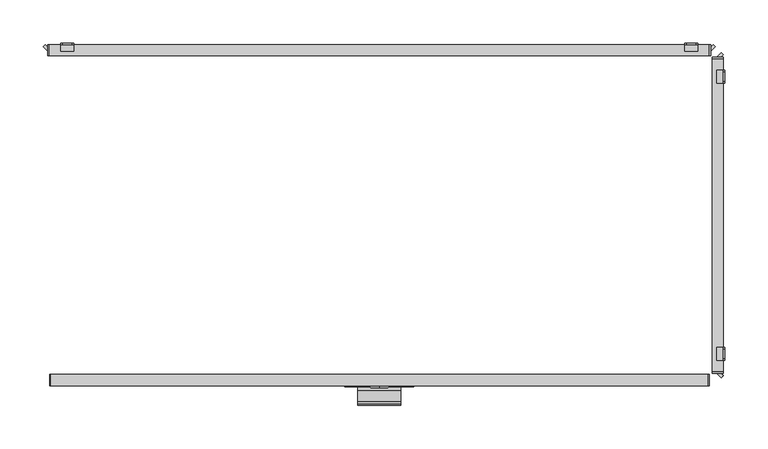
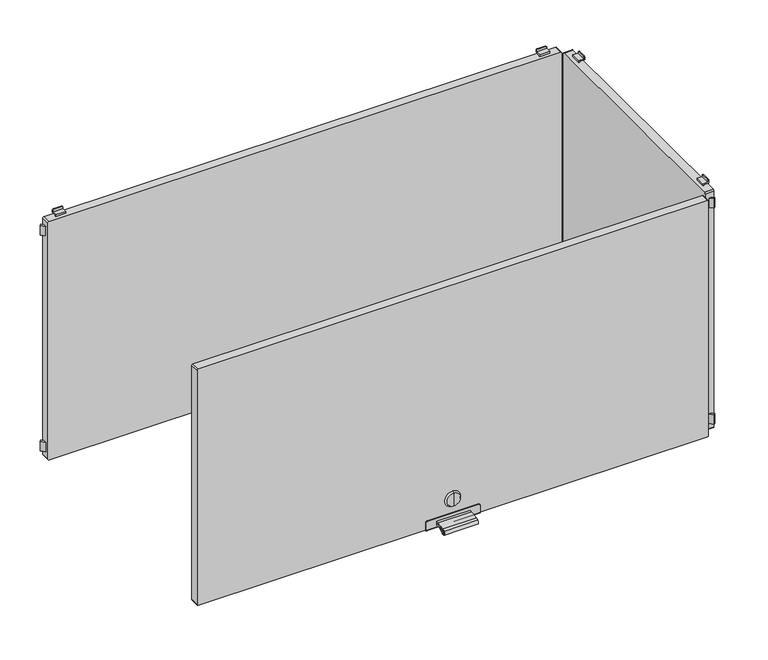
"""IFC4 building model written with IfcOpenShell, lengths in millimetres: furniture geometry."""

from ifc_helpers import new_model, si_unit, point, frame, frame_2d, origin, place, context, project, spatial, polyline, circle_curve, trimmed, segment, composite_curve, outline, extrude, source, transform, mapped, element, save
from ifc_brep_helpers import plane_surface, cylinder_surface, revolved_surface, advanced_brep


def furniture_bd808461(model_context):
    return source(origin(), model_context, "Body", "SolidModel", [
        extrude(outline(composite_curve([segment(polyline([(-202.226909, 930.4286545), (-198.5, 930.4286545), (-198.5, 928.5286545), (-202.226909, 928.5286545)]), True, "CONTINUOUS"), segment(trimmed(circle_curve(frame_2d((-202.226909, 886.4886922)), 42.0399623), [point((-202.226909, 928.5286545))], [point((-214.4555436, 926.710812))], True, "CARTESIAN"), True, "CONTINUOUS"), segment(trimmed(circle_curve(frame_2d((-212.0259096, 918.7193203)), 8.352668), [point((-214.4555436, 926.710812))], [point((-216.9670362, 925.4537341))], True, "CARTESIAN"), True, "CONTINUOUS"), segment(trimmed(circle_curve(frame_2d((-215.7726745, 923.8259018)), 2.0189943), [point((-216.9670362, 925.4537341))], [point((-214.4167634, 922.3299595))], True, "CARTESIAN"), True, "CONTINUOUS"), segment(trimmed(circle_curve(frame_2d((-202.2269079, 908.8812021)), 18.1510786), [point((-214.4167634, 922.3299595))], [point((-202.2269079, 927.0322806))], False, "CARTESIAN"), True, "CONTINUOUS"), segment(polyline([(-202.2269079, 927.0322806), (-198.5, 927.0322806), (-198.5, 925.1322806), (-202.2269079, 925.1322806)]), True, "CONTINUOUS"), segment(trimmed(circle_curve(frame_2d((-202.2269079, 908.8812021)), 16.2510786), [point((-202.2269079, 925.1322806))], [point((-213.1407662, 920.9221843))], True, "CARTESIAN"), True, "CONTINUOUS"), segment(trimmed(circle_curve(frame_2d((-215.7726745, 923.8259018)), 3.9189943), [point((-213.1407662, 920.9221843))], [point((-218.0910053, 926.9856263))], False, "CARTESIAN"), True, "CONTINUOUS"), segment(trimmed(circle_curve(frame_2d((-212.0259096, 918.7193203)), 10.252668), [point((-218.0910053, 926.9856263))], [point((-215.0082179, 928.5286545))], False, "CARTESIAN"), True, "CONTINUOUS"), segment(trimmed(circle_curve(frame_2d((-202.226909, 886.4886922)), 43.9399623), [point((-215.0082179, 928.5286545))], [point((-202.226909, 930.4286545))], False, "CARTESIAN"), True, "CONTINUOUS")], self_intersect=False)), frame((-25.0, 0.0, 0.0), z_axis=(1.0, 0.0, 0.0), x_axis=(0.0, 1.0, 0.0)), (0.0, 0.0, 1.0), 50.0),
        advanced_brep(
        [(0.0, -199.7, 956.6837841), (0.0, -199.7, 966.6265951), (0.0, -199.7, 946.740973), (0.0, -197.0, 944.8059292), (0.0, -197.0, 968.5616389), (0.0, -197.0, 956.6837841)],
        [
            (0, 1),
            (1, 2, circle_curve(frame((0.0, -199.7, 956.6837841), z_axis=(0.0, -1.0, 0.0), x_axis=(0.0, 0.0, 1.0)), 9.9428111)),
            (2, 0),
            (2, 1, circle_curve(frame((0.0, -199.7, 956.6837841), z_axis=(0.0, -1.0, 0.0), x_axis=(0.0, 0.0, 1.0)), 9.9428111)),
            (3, 4, circle_curve(frame((0.0, -197.0, 956.6837841), z_axis=(0.0, 1.0, 0.0), x_axis=(0.0, 0.0, 1.0)), 11.8778548)),
            (4, 5),
            (5, 3),
            (4, 3, circle_curve(frame((0.0, -197.0, 956.6837841), z_axis=(0.0, 1.0, 0.0), x_axis=(0.0, 0.0, 1.0)), 11.8778548)),
            (1, 4),
            (3, 2),
        ],
        [
            plane_surface(frame((0.0, -199.7, 956.6837841), z_axis=(0.0, -1.0, 0.0), x_axis=(0.0, 0.0, 1.0))),
            plane_surface(frame((0.0, -197.0, 956.6837841), z_axis=(0.0, 1.0, 0.0), x_axis=(0.0, 0.0, 1.0))),
            revolved_surface(polyline([(0.0, -197.0, 968.5616389), (0.0, -199.7, 966.6265951)]), (0.0, -202.2563621, 956.6837841), (0.0, -1.0, 0.0)),
        ],
        [
            (0, [[1, 2, 3]]),
            (0, [[-3, 4, -1]]),
            (1, [[5, 6, 7]]),
            (1, [[8, -7, -6]]),
            (2, [[-2, 9, -5, 10]]),
            (2, [[-4, -10, -8, -9]]),
        ],
    ),
        advanced_brep(
        [(38.2, -198.5, 935.0), (-38.2, -198.5, 935.0), (-40.0, -198.5, 933.2), (-40.0, -198.5, 922.0), (40.0, -198.5, 922.0), (40.0, -198.5, 933.2), (38.2, -197.0, 935.0), (40.0, -197.0, 933.2), (40.0, -197.0, 921.5), (-40.0, -197.0, 921.5), (-40.0, -197.0, 933.2), (-38.2, -197.0, 935.0), (-40.0, -184.0, 921.5), (-40.0, -184.0, 920.0), (-40.0, -196.5, 920.0), (40.0, -196.5, 920.0), (40.0, -184.0, 920.0), (40.0, -184.0, 921.5)],
        [
            (0, 1),
            (1, 2, circle_curve(frame((-38.2, -198.5, 933.2), z_axis=(0.0, -1.0, 0.0), x_axis=(1.0, 0.0, 0.0)), 1.8)),
            (2, 3),
            (3, 4),
            (4, 5),
            (5, 0, circle_curve(frame((38.2, -198.5, 933.2), z_axis=(0.0, -1.0, 0.0), x_axis=(1.0, 0.0, 0.0)), 1.8)),
            (6, 7, circle_curve(frame((38.2, -197.0, 933.2), z_axis=(0.0, 1.0, 0.0), x_axis=(1.0, 0.0, 0.0)), 1.8)),
            (7, 8),
            (8, 9),
            (9, 10),
            (10, 11, circle_curve(frame((-38.2, -197.0, 933.2), z_axis=(0.0, 1.0, 0.0), x_axis=(1.0, 0.0, 0.0)), 1.8)),
            (11, 6),
            (0, 6),
            (11, 1),
            (10, 2),
            (9, 12),
            (12, 13),
            (13, 14),
            (14, 3, circle_curve(frame((-40.0, -196.5, 922.0), z_axis=(-1.0, 0.0, 0.0), x_axis=(0.0, 1.0, 0.0)), 2.0)),
            (4, 15, circle_curve(frame((40.0, -196.5, 922.0), z_axis=(1.0, 0.0, 0.0), x_axis=(0.0, 1.0, 0.0)), 2.0)),
            (15, 16),
            (16, 17),
            (17, 8),
            (7, 5),
            (15, 14),
            (13, 16),
            (12, 17),
        ],
        [
            plane_surface(frame((-40.0, -198.5, 935.0), z_axis=(0.0, -1.0, 0.0), x_axis=(-1.0, 0.0, 0.0))),
            plane_surface(frame((-40.0, -197.0, 935.0), z_axis=(0.0, 1.0, 0.0), x_axis=(1.0, 0.0, 0.0))),
            plane_surface(frame((38.2, -198.5, 935.0), z_axis=(0.0, 0.0, 1.0), x_axis=(0.0, 1.0, 0.0))),
            cylinder_surface(frame((-38.2, -197.0, 933.2), z_axis=(0.0, -1.0, 0.0), x_axis=(1.0, 0.0, 0.0)), 1.8),
            plane_surface(frame((-40.0, -198.5, 933.2), z_axis=(-1.0, 0.0, 0.0), x_axis=(0.0, 1.0, 0.0))),
            plane_surface(frame((40.0, -198.5, 924.5), z_axis=(1.0, 0.0, 0.0), x_axis=(0.0, 1.0, 0.0))),
            cylinder_surface(frame((38.2, -197.0, 933.2), z_axis=(0.0, -1.0, 0.0), x_axis=(1.0, 0.0, 0.0)), 1.8),
            plane_surface(frame((40.0, -196.5, 920.0), z_axis=(0.0, 0.0, -1.0), x_axis=(-1.0, 0.0, 0.0))),
            plane_surface(frame((40.0, -184.0, 920.0), z_axis=(0.0, 1.0, 0.0), x_axis=(-1.0, 0.0, 0.0))),
            plane_surface(frame((40.0, -184.0, 921.5), z_axis=(0.0, 0.0, 1.0), x_axis=(-1.0, 0.0, 0.0))),
            cylinder_surface(frame((-40.0, -196.5, 922.0), z_axis=(1.0, 0.0, 0.0), x_axis=(0.0, 1.0, 0.0)), 2.0),
        ],
        [
            (0, [[1, 2, 3, 4, 5, 6]]),
            (1, [[7, 8, 9, 10, 11, 12]]),
            (2, [[-1, 13, -12, 14]]),
            (3, [[-2, -14, -11, 15]]),
            (4, [[-3, -15, -10, 16, 17, 18, 19]]),
            (5, [[-5, 20, 21, 22, 23, -8, 24]]),
            (6, [[-6, -24, -7, -13]]),
            (7, [[-21, 25, -18, 26]]),
            (8, [[-22, -26, -17, 27]]),
            (9, [[-23, -27, -16, -9]]),
            (10, [[-20, -4, -19, -25]]),
        ],
    ),
        extrude(outline(composite_curve([segment(polyline([(1293.5, 379.0), (1293.5, -379.0)]), True, "CONTINUOUS"), segment(trimmed(circle_curve(frame_2d((1292.0, -379.0)), 1.5), [point((1293.5, -379.0))], [point((1292.0, -380.5))], False, "CARTESIAN"), True, "CONTINUOUS"), segment(polyline([(1292.0, -380.5), (923.0, -380.5)]), True, "CONTINUOUS"), segment(trimmed(circle_curve(frame_2d((923.0, -379.0)), 1.5), [point((923.0, -380.5))], [point((921.5, -379.0))], False, "CARTESIAN"), True, "CONTINUOUS"), segment(polyline([(921.5, -379.0), (921.5, 379.0)]), True, "CONTINUOUS"), segment(trimmed(circle_curve(frame_2d((923.0, 379.0)), 1.5), [point((921.5, 379.0))], [point((923.0, 380.5))], False, "CARTESIAN"), True, "CONTINUOUS"), segment(polyline([(923.0, 380.5), (1292.0, 380.5)]), True, "CONTINUOUS"), segment(trimmed(circle_curve(frame_2d((1292.0, 379.0)), 1.5), [point((1292.0, 380.5))], [point((1293.5, 379.0))], False, "CARTESIAN"), True, "CONTINUOUS")], self_intersect=False)), frame((0.0, -197.0, 0.0), z_axis=(0.0, 1.0, 0.0), x_axis=(0.0, 0.0, 1.0)), (0.0, 0.0, 1.0), 13.0),
        advanced_brep(
        [(352.5, 197.0, 915.5), (354.5, 197.0, 913.5), (365.5, 197.0, 913.5), (367.5, 197.0, 915.5), (367.5, 197.0, 917.0), (352.5, 197.0, 917.0), (352.5, 198.5, 918.5), (367.5, 198.5, 918.5), (367.5, 198.5, 915.5), (365.5, 198.5, 913.5), (354.5, 198.5, 913.5), (352.5, 198.5, 915.5), (352.5, 189.5011497, 917.0), (352.5, 189.5011497, 920.0), (352.5, 191.0011497, 920.0), (352.5, 191.0011497, 918.5), (367.5, 191.0011497, 918.5), (367.5, 191.0011497, 920.0), (367.5, 189.5011497, 920.0), (367.5, 189.5011497, 917.0)],
        [
            (0, 1, circle_curve(frame((354.5, 197.0, 915.5), z_axis=(0.0, -1.0, 0.0), x_axis=(1.0, 0.0, 0.0)), 2.0)),
            (1, 2),
            (2, 3, circle_curve(frame((365.5, 197.0, 915.5), z_axis=(0.0, -1.0, 0.0), x_axis=(1.0, 0.0, 0.0)), 2.0)),
            (3, 4),
            (4, 5),
            (5, 0),
            (6, 7),
            (7, 8),
            (8, 9, circle_curve(frame((365.5, 198.5, 915.5), z_axis=(0.0, 1.0, 0.0), x_axis=(1.0, 0.0, 0.0)), 2.0)),
            (9, 10),
            (10, 11, circle_curve(frame((354.5, 198.5, 915.5), z_axis=(0.0, 1.0, 0.0), x_axis=(1.0, 0.0, 0.0)), 2.0)),
            (11, 6),
            (11, 0),
            (5, 12),
            (12, 13),
            (13, 14),
            (14, 15),
            (15, 6),
            (10, 1),
            (9, 2),
            (8, 3),
            (7, 16),
            (16, 17),
            (17, 18),
            (18, 19),
            (19, 4),
            (15, 16),
            (12, 19),
            (18, 13),
            (17, 14),
        ],
        [
            plane_surface(frame((352.5, 197.0, 917.0), z_axis=(0.0, -1.0, 0.0), x_axis=(0.0, 0.0, -1.0))),
            plane_surface(frame((352.5, 198.5, 917.0), z_axis=(0.0, 1.0, 0.0), x_axis=(0.0, 0.0, 1.0))),
            plane_surface(frame((352.5, 197.0, 918.5), z_axis=(-1.0, 0.0, 0.0), x_axis=(0.0, 1.0, 0.0))),
            cylinder_surface(frame((354.5, 198.5, 915.5), z_axis=(0.0, -1.0, 0.0), x_axis=(1.0, 0.0, 0.0)), 2.0),
            plane_surface(frame((354.5, 197.0, 913.5), z_axis=(0.0, 0.0, -1.0), x_axis=(0.0, 1.0, 0.0))),
            cylinder_surface(frame((365.5, 198.5, 915.5), z_axis=(0.0, -1.0, 0.0), x_axis=(1.0, 0.0, 0.0)), 2.0),
            plane_surface(frame((367.5, 197.0, 915.5), z_axis=(1.0, 0.0, 0.0), x_axis=(0.0, 1.0, 0.0))),
            plane_surface(frame((367.5, 197.0, 918.5), z_axis=(0.0, 0.0, 1.0), x_axis=(0.0, 1.0, 0.0))),
            plane_surface(frame((352.5, 189.5011497, 917.0), z_axis=(0.0, -1.0, 0.0), x_axis=(1.0, 0.0, 0.0))),
            plane_surface(frame((352.5, 189.5011497, 920.0), z_axis=(0.0, 0.0, 1.0), x_axis=(1.0, 0.0, 0.0))),
            plane_surface(frame((352.5, 191.0011497, 920.0), z_axis=(0.0, 1.0, 0.0), x_axis=(1.0, 0.0, 0.0))),
            plane_surface(frame((352.5, 197.0, 917.0), z_axis=(0.0, 0.0, -1.0), x_axis=(1.0, 0.0, 0.0))),
        ],
        [
            (0, [[1, 2, 3, 4, 5, 6]]),
            (1, [[7, 8, 9, 10, 11, 12]]),
            (2, [[-12, 13, -6, 14, 15, 16, 17, 18]]),
            (3, [[-1, -13, -11, 19]]),
            (4, [[-2, -19, -10, 20]]),
            (5, [[-3, -20, -9, 21]]),
            (6, [[-8, 22, 23, 24, 25, 26, -4, -21]]),
            (7, [[-22, -7, -18, 27]]),
            (8, [[-15, 28, -25, 29]]),
            (9, [[-16, -29, -24, 30]]),
            (10, [[-17, -30, -23, -27]]),
            (11, [[-14, -5, -26, -28]]),
        ],
    ),
        advanced_brep(
        [(-367.5, 197.0, 915.5), (-365.5, 197.0, 913.5), (-354.5, 197.0, 913.5), (-352.5, 197.0, 915.5), (-352.5, 197.0, 917.0), (-367.5, 197.0, 917.0), (-352.5, 198.5, 918.5), (-352.5, 198.5, 915.5), (-354.5, 198.5, 913.5), (-365.5, 198.5, 913.5), (-367.5, 198.5, 915.5), (-367.5, 198.5, 918.5), (-367.5, 191.0011497, 918.5), (-352.5, 191.0011497, 918.5), (-367.5, 189.5011497, 917.0), (-367.5, 189.5011497, 920.0), (-367.5, 191.0011497, 920.0), (-352.5, 191.0011497, 920.0), (-352.5, 189.5011497, 920.0), (-352.5, 189.5011497, 917.0)],
        [
            (0, 1, circle_curve(frame((-365.5, 197.0, 915.5), z_axis=(0.0, -1.0, 0.0), x_axis=(1.0, 0.0, 0.0)), 2.0)),
            (1, 2),
            (2, 3, circle_curve(frame((-354.5, 197.0, 915.5), z_axis=(0.0, -1.0, 0.0), x_axis=(1.0, 0.0, 0.0)), 2.0)),
            (3, 4),
            (4, 5),
            (5, 0),
            (6, 7),
            (7, 8, circle_curve(frame((-354.5, 198.5, 915.5), z_axis=(0.0, 1.0, 0.0), x_axis=(1.0, 0.0, 0.0)), 2.0)),
            (8, 9),
            (9, 10, circle_curve(frame((-365.5, 198.5, 915.5), z_axis=(0.0, 1.0, 0.0), x_axis=(1.0, 0.0, 0.0)), 2.0)),
            (10, 11),
            (11, 6),
            (11, 12),
            (12, 13),
            (13, 6),
            (10, 0),
            (5, 14),
            (14, 15),
            (15, 16),
            (16, 12),
            (9, 1),
            (8, 2),
            (7, 3),
            (13, 17),
            (17, 18),
            (18, 19),
            (19, 4),
            (18, 15),
            (14, 19),
            (17, 16),
        ],
        [
            plane_surface(frame((352.5, 197.0, 917.0), z_axis=(0.0, -1.0, 0.0), x_axis=(0.0, 0.0, -1.0))),
            plane_surface(frame((352.5, 198.5, 917.0), z_axis=(0.0, 1.0, 0.0), x_axis=(0.0, 0.0, 1.0))),
            plane_surface(frame((-352.5, 197.0, 918.5), z_axis=(0.0, 0.0, 1.0), x_axis=(0.0, 1.0, 0.0))),
            plane_surface(frame((-367.5, 197.0, 918.5), z_axis=(-1.0, 0.0, 0.0), x_axis=(0.0, 1.0, 0.0))),
            cylinder_surface(frame((-365.5, 200.0, 915.5), z_axis=(0.0, -1.0, 0.0), x_axis=(1.0, 0.0, 0.0)), 2.0),
            plane_surface(frame((-365.5, 197.0, 913.5), z_axis=(0.0, 0.0, -1.0), x_axis=(0.0, 1.0, 0.0))),
            cylinder_surface(frame((-354.5, 200.0, 915.5), z_axis=(0.0, -1.0, 0.0), x_axis=(1.0, 0.0, 0.0)), 2.0),
            plane_surface(frame((-352.5, 197.0, 915.5), z_axis=(1.0, 0.0, 0.0), x_axis=(0.0, 1.0, 0.0))),
            plane_surface(frame((-352.5, 189.5011497, 920.0), z_axis=(0.0, -1.0, 0.0), x_axis=(-1.0, 0.0, 0.0))),
            plane_surface(frame((-352.5, 191.0011497, 920.0), z_axis=(0.0, 0.0, 1.0), x_axis=(-1.0, 0.0, 0.0))),
            plane_surface(frame((-352.5, 191.0011497, 918.5), z_axis=(0.0, 1.0, 0.0), x_axis=(-1.0, 0.0, 0.0))),
            plane_surface(frame((-352.5, 189.5011497, 917.0), z_axis=(0.0, 0.0, -1.0), x_axis=(-1.0, 0.0, 0.0))),
        ],
        [
            (0, [[1, 2, 3, 4, 5, 6]]),
            (1, [[7, 8, 9, 10, 11, 12]]),
            (2, [[-12, 13, 14, 15]]),
            (3, [[-11, 16, -6, 17, 18, 19, 20, -13]]),
            (4, [[-1, -16, -10, 21]]),
            (5, [[-2, -21, -9, 22]]),
            (6, [[-3, -22, -8, 23]]),
            (7, [[-7, -15, 24, 25, 26, 27, -4, -23]]),
            (8, [[-26, 28, -18, 29]]),
            (9, [[-25, 30, -19, -28]]),
            (10, [[-24, -14, -20, -30]]),
            (11, [[-27, -29, -17, -5]]),
        ],
    ),
        advanced_brep(
        [(367.5, 197.0, 1299.5), (365.5, 197.0, 1301.5), (354.5, 197.0, 1301.5), (352.5, 197.0, 1299.5), (352.5, 197.0, 1298.0), (367.5, 197.0, 1298.0), (352.5, 198.5, 1296.5), (352.5, 198.5, 1299.5), (354.5, 198.5, 1301.5), (365.5, 198.5, 1301.5), (367.5, 198.5, 1299.5), (367.5, 198.5, 1296.5), (352.5, 189.5011497, 1298.0), (352.5, 191.0011497, 1296.5), (352.5, 191.0011497, 1295.0), (352.5, 189.5011497, 1295.0), (367.5, 189.5011497, 1298.0), (367.5, 189.5011497, 1295.0), (367.5, 191.0011497, 1295.0), (367.5, 191.0011497, 1296.5)],
        [
            (0, 1, circle_curve(frame((365.5, 197.0, 1299.5), z_axis=(0.0, -1.0, 0.0), x_axis=(1.0, 0.0, 0.0)), 2.0)),
            (1, 2),
            (2, 3, circle_curve(frame((354.5, 197.0, 1299.5), z_axis=(0.0, -1.0, 0.0), x_axis=(1.0, 0.0, 0.0)), 2.0)),
            (3, 4),
            (4, 5),
            (5, 0),
            (6, 7),
            (7, 8, circle_curve(frame((354.5, 198.5, 1299.5), z_axis=(0.0, 1.0, 0.0), x_axis=(1.0, 0.0, 0.0)), 2.0)),
            (8, 9),
            (9, 10, circle_curve(frame((365.5, 198.5, 1299.5), z_axis=(0.0, 1.0, 0.0), x_axis=(1.0, 0.0, 0.0)), 2.0)),
            (10, 11),
            (11, 6),
            (12, 4),
            (3, 7),
            (6, 13),
            (13, 14),
            (14, 15),
            (15, 12),
            (16, 17),
            (17, 18),
            (18, 19),
            (19, 11),
            (10, 0),
            (5, 16),
            (19, 13),
            (9, 1),
            (8, 2),
            (12, 16),
            (18, 14),
            (17, 15),
        ],
        [
            plane_surface(frame((352.5, 197.0, 917.0), z_axis=(0.0, -1.0, 0.0), x_axis=(0.0, 0.0, -1.0))),
            plane_surface(frame((352.5, 198.5, 917.0), z_axis=(0.0, 1.0, 0.0), x_axis=(0.0, 0.0, 1.0))),
            plane_surface(frame((352.5, 197.0, 918.5), z_axis=(-1.0, 0.0, 0.0), x_axis=(0.0, 1.0, 0.0))),
            plane_surface(frame((367.5, 197.0, 915.5), z_axis=(1.0, 0.0, 0.0), x_axis=(0.0, 1.0, 0.0))),
            plane_surface(frame((352.5, 197.0, 1296.5), z_axis=(0.0, 0.0, -1.0), x_axis=(0.0, 1.0, 0.0))),
            cylinder_surface(frame((365.5, 200.0, 1299.5), z_axis=(0.0, -1.0, 0.0), x_axis=(1.0, 0.0, 0.0)), 2.0),
            plane_surface(frame((365.5, 197.0, 1301.5), z_axis=(0.0, 0.0, 1.0), x_axis=(0.0, 1.0, 0.0))),
            cylinder_surface(frame((354.5, 200.0, 1299.5), z_axis=(0.0, -1.0, 0.0), x_axis=(1.0, 0.0, 0.0)), 2.0),
            plane_surface(frame((352.5, 189.5011497, 1298.0), z_axis=(0.0, 0.0, 1.0), x_axis=(1.0, 0.0, 0.0))),
            plane_surface(frame((352.5, 191.0011497, 1296.5), z_axis=(0.0, 1.0, 0.0), x_axis=(1.0, 0.0, 0.0))),
            plane_surface(frame((352.5, 191.0011497, 1295.0), z_axis=(0.0, 0.0, -1.0), x_axis=(1.0, 0.0, 0.0))),
            plane_surface(frame((352.5, 189.5011497, 1295.0), z_axis=(0.0, -1.0, 0.0), x_axis=(1.0, 0.0, 0.0))),
        ],
        [
            (0, [[1, 2, 3, 4, 5, 6]]),
            (1, [[7, 8, 9, 10, 11, 12]]),
            (2, [[13, -4, 14, -7, 15, 16, 17, 18]]),
            (3, [[19, 20, 21, 22, -11, 23, -6, 24]]),
            (4, [[-15, -12, -22, 25]]),
            (5, [[-1, -23, -10, 26]]),
            (6, [[-2, -26, -9, 27]]),
            (7, [[-3, -27, -8, -14]]),
            (8, [[-13, 28, -24, -5]]),
            (9, [[-16, -25, -21, 29]]),
            (10, [[-17, -29, -20, 30]]),
            (11, [[-18, -30, -19, -28]]),
        ],
    ),
        advanced_brep(
        [(-352.5, 197.0, 1299.5), (-354.5, 197.0, 1301.5), (-365.5, 197.0, 1301.5), (-367.5, 197.0, 1299.5), (-367.5, 197.0, 1298.0), (-352.5, 197.0, 1298.0), (-352.5, 198.5, 1296.5), (-367.5, 198.5, 1296.5), (-367.5, 198.5, 1299.5), (-365.5, 198.5, 1301.5), (-354.5, 198.5, 1301.5), (-352.5, 198.5, 1299.5), (-367.5, 191.0011497, 1296.5), (-367.5, 191.0011497, 1295.0), (-367.5, 189.5011497, 1295.0), (-367.5, 189.5011497, 1298.0), (-352.5, 189.5011497, 1298.0), (-352.5, 189.5011497, 1295.0), (-352.5, 191.0011497, 1295.0), (-352.5, 191.0011497, 1296.5)],
        [
            (0, 1, circle_curve(frame((-354.5, 197.0, 1299.5), z_axis=(0.0, -1.0, 0.0), x_axis=(1.0, 0.0, 0.0)), 2.0)),
            (1, 2),
            (2, 3, circle_curve(frame((-365.5, 197.0, 1299.5), z_axis=(0.0, -1.0, 0.0), x_axis=(1.0, 0.0, 0.0)), 2.0)),
            (3, 4),
            (4, 5),
            (5, 0),
            (6, 7),
            (7, 8),
            (8, 9, circle_curve(frame((-365.5, 198.5, 1299.5), z_axis=(0.0, 1.0, 0.0), x_axis=(1.0, 0.0, 0.0)), 2.0)),
            (9, 10),
            (10, 11, circle_curve(frame((-354.5, 198.5, 1299.5), z_axis=(0.0, 1.0, 0.0), x_axis=(1.0, 0.0, 0.0)), 2.0)),
            (11, 6),
            (7, 12),
            (12, 13),
            (13, 14),
            (14, 15),
            (15, 4),
            (3, 8),
            (11, 0),
            (5, 16),
            (16, 17),
            (17, 18),
            (18, 19),
            (19, 6),
            (10, 1),
            (9, 2),
            (19, 12),
            (15, 16),
            (18, 13),
            (17, 14),
        ],
        [
            plane_surface(frame((352.5, 197.0, 917.0), z_axis=(0.0, -1.0, 0.0), x_axis=(0.0, 0.0, -1.0))),
            plane_surface(frame((352.5, 198.5, 917.0), z_axis=(0.0, 1.0, 0.0), x_axis=(0.0, 0.0, 1.0))),
            plane_surface(frame((-367.5, 197.0, 918.5), z_axis=(-1.0, 0.0, 0.0), x_axis=(0.0, 1.0, 0.0))),
            plane_surface(frame((-352.5, 197.0, 915.5), z_axis=(1.0, 0.0, 0.0), x_axis=(0.0, 1.0, 0.0))),
            cylinder_surface(frame((-354.5, 200.0, 1299.5), z_axis=(0.0, -1.0, 0.0), x_axis=(1.0, 0.0, 0.0)), 2.0),
            plane_surface(frame((-354.5, 197.0, 1301.5), z_axis=(0.0, 0.0, 1.0), x_axis=(0.0, 1.0, 0.0))),
            cylinder_surface(frame((-365.5, 200.0, 1299.5), z_axis=(0.0, -1.0, 0.0), x_axis=(1.0, 0.0, 0.0)), 2.0),
            plane_surface(frame((-367.5, 197.0, 1296.5), z_axis=(0.0, 0.0, -1.0), x_axis=(0.0, 1.0, 0.0))),
            plane_surface(frame((-352.5, 197.0, 1298.0), z_axis=(0.0, 0.0, 1.0), x_axis=(-1.0, 0.0, 0.0))),
            plane_surface(frame((-352.5, 191.0011497, 1295.0), z_axis=(0.0, 1.0, 0.0), x_axis=(-1.0, 0.0, 0.0))),
            plane_surface(frame((-352.5, 189.5011497, 1295.0), z_axis=(0.0, 0.0, -1.0), x_axis=(-1.0, 0.0, 0.0))),
            plane_surface(frame((-352.5, 189.5011497, 1298.0), z_axis=(0.0, -1.0, 0.0), x_axis=(-1.0, 0.0, 0.0))),
        ],
        [
            (0, [[1, 2, 3, 4, 5, 6]]),
            (1, [[7, 8, 9, 10, 11, 12]]),
            (2, [[-8, 13, 14, 15, 16, 17, -4, 18]]),
            (3, [[-12, 19, -6, 20, 21, 22, 23, 24]]),
            (4, [[-1, -19, -11, 25]]),
            (5, [[-2, -25, -10, 26]]),
            (6, [[-3, -26, -9, -18]]),
            (7, [[-7, -24, 27, -13]]),
            (8, [[-20, -5, -17, 28]]),
            (9, [[-23, 29, -14, -27]]),
            (10, [[-22, 30, -15, -29]]),
            (11, [[-21, -28, -16, -30]]),
        ],
    ),
        extrude(outline(polyline([(-385.3223305, 197.0), (-382.5, 194.1776695), (-382.5, 189.5011497), (-387.6605904, 194.6617401), (-385.3223305, 197.0)])), frame((0.0, 0.0, 930.0), z_axis=(0.0, 0.0, 1.0), x_axis=(1.0, 0.0, 0.0)), (0.0, 0.0, 1.0), 15.0),
        extrude(outline(polyline([(385.3223305, 197.0), (387.6605904, 194.6617401), (382.5, 189.5011497), (382.5, 194.1776695), (385.3223305, 197.0)])), frame((0.0, 0.0, 930.0), z_axis=(0.0, 0.0, 1.0), x_axis=(1.0, 0.0, 0.0)), (0.0, 0.0, 1.0), 15.0),
        extrude(outline(composite_curve([segment(trimmed(circle_curve(frame_2d((1293.2, 380.7)), 1.8), [point((1293.2, 382.5))], [point((1295.0, 380.7))], False, "CARTESIAN"), True, "CONTINUOUS"), segment(polyline([(1295.0, 380.7), (1295.0, -380.7)]), True, "CONTINUOUS"), segment(trimmed(circle_curve(frame_2d((1293.2, -380.7)), 1.8), [point((1295.0, -380.7))], [point((1293.2, -382.5))], False, "CARTESIAN"), True, "CONTINUOUS"), segment(polyline([(1293.2, -382.5), (921.8, -382.5)]), True, "CONTINUOUS"), segment(trimmed(circle_curve(frame_2d((921.8, -380.7)), 1.8), [point((921.8, -382.5))], [point((920.0, -380.7))], False, "CARTESIAN"), True, "CONTINUOUS"), segment(polyline([(920.0, -380.7), (920.0, 380.7)]), True, "CONTINUOUS"), segment(trimmed(circle_curve(frame_2d((921.8, 380.7)), 1.8), [point((920.0, 380.7))], [point((921.8, 382.5))], False, "CARTESIAN"), True, "CONTINUOUS"), segment(polyline([(921.8, 382.5), (1293.2, 382.5)]), True, "CONTINUOUS")], self_intersect=False)), frame((0.0, 183.999795, 0.0), z_axis=(0.0, 1.0, 0.0), x_axis=(0.0, 0.0, 1.0)), (0.0, 0.0, 1.0), 13.000205),
        extrude(outline(polyline([(-385.3223305, 197.0), (-382.5, 194.1776695), (-382.5, 189.5011497), (-387.6605904, 194.6617401), (-385.3223305, 197.0)])), frame((0.0, 0.0, 1270.0), z_axis=(0.0, 0.0, 1.0), x_axis=(1.0, 0.0, 0.0)), (0.0, 0.0, 1.0), 15.0),
        extrude(outline(polyline([(385.3223305, 197.0), (387.6605904, 194.6617401), (382.5, 189.5011497), (382.5, 194.1776695), (385.3223305, 197.0)])), frame((0.0, 0.0, 1270.0), z_axis=(0.0, 0.0, 1.0), x_axis=(1.0, 0.0, 0.0)), (0.0, 0.0, 1.0), 15.0),
        advanced_brep(
        [(397.0, 152.5, 915.5), (397.0, 152.5, 917.0), (397.0, 167.5, 917.0), (397.0, 167.5, 915.5), (397.0, 165.5, 913.5), (397.0, 154.5, 913.5), (398.5, 152.5, 918.5), (398.5, 152.5, 915.5), (398.5, 154.5, 913.5), (398.5, 165.5, 913.5), (398.5, 167.5, 915.5), (398.5, 167.5, 918.5), (391.0011497, 152.5, 918.5), (391.0011497, 152.5, 920.0), (389.5011497, 152.5, 920.0), (389.5011497, 152.5, 917.0), (389.5011497, 167.5, 917.0), (389.5011497, 167.5, 920.0), (391.0011497, 167.5, 920.0), (391.0011497, 167.5, 918.5)],
        [
            (0, 1),
            (1, 2),
            (2, 3),
            (3, 4, circle_curve(frame((397.0, 165.5, 915.5), z_axis=(-1.0, 0.0, 0.0), x_axis=(0.0, 1.0, 0.0)), 2.0)),
            (4, 5),
            (5, 0, circle_curve(frame((397.0, 154.5, 915.5), z_axis=(-1.0, 0.0, 0.0), x_axis=(0.0, 1.0, 0.0)), 2.0)),
            (6, 7),
            (7, 8, circle_curve(frame((398.5, 154.5, 915.5), z_axis=(1.0, 0.0, 0.0), x_axis=(0.0, 1.0, 0.0)), 2.0)),
            (8, 9),
            (9, 10, circle_curve(frame((398.5, 165.5, 915.5), z_axis=(1.0, 0.0, 0.0), x_axis=(0.0, 1.0, 0.0)), 2.0)),
            (10, 11),
            (11, 6),
            (6, 12),
            (12, 13),
            (13, 14),
            (14, 15),
            (15, 1),
            (0, 7),
            (5, 8),
            (4, 9),
            (3, 10),
            (2, 16),
            (16, 17),
            (17, 18),
            (18, 19),
            (19, 11),
            (19, 12),
            (14, 17),
            (16, 15),
            (13, 18),
        ],
        [
            plane_surface(frame((397.0, 152.5, 917.0), z_axis=(-1.0, 0.0, 0.0), x_axis=(0.0, 0.0, -1.0))),
            plane_surface(frame((398.5, 152.5, 917.0), z_axis=(1.0, 0.0, 0.0), x_axis=(0.0, 0.0, 1.0))),
            plane_surface(frame((397.0, 152.5, 918.5), z_axis=(0.0, -1.0, 0.0), x_axis=(1.0, 0.0, 0.0))),
            cylinder_surface(frame((398.5, 154.5, 915.5), z_axis=(-1.0, 0.0, 0.0), x_axis=(0.0, 1.0, 0.0)), 2.0),
            plane_surface(frame((397.0, 154.5, 913.5), z_axis=(0.0, 0.0, -1.0), x_axis=(1.0, 0.0, 0.0))),
            cylinder_surface(frame((398.5, 165.5, 915.5), z_axis=(-1.0, 0.0, 0.0), x_axis=(0.0, 1.0, 0.0)), 2.0),
            plane_surface(frame((397.0, 167.5, 915.5), z_axis=(0.0, 1.0, 0.0), x_axis=(1.0, 0.0, 0.0))),
            plane_surface(frame((397.0, 167.5, 918.5), z_axis=(0.0, 0.0, 1.0), x_axis=(1.0, 0.0, 0.0))),
            plane_surface(frame((389.5011497, 152.5, 917.0), z_axis=(-1.0, 0.0, 0.0), x_axis=(0.0, 1.0, 0.0))),
            plane_surface(frame((389.5011497, 152.5, 920.0), z_axis=(0.0, 0.0, 1.0), x_axis=(0.0, 1.0, 0.0))),
            plane_surface(frame((391.0011497, 152.5, 920.0), z_axis=(1.0, 0.0, 0.0), x_axis=(0.0, 1.0, 0.0))),
            plane_surface(frame((397.0, 152.5, 917.0), z_axis=(0.0, 0.0, -1.0), x_axis=(0.0, 1.0, 0.0))),
        ],
        [
            (0, [[1, 2, 3, 4, 5, 6]]),
            (1, [[7, 8, 9, 10, 11, 12]]),
            (2, [[13, 14, 15, 16, 17, -1, 18, -7]]),
            (3, [[19, -8, -18, -6]]),
            (4, [[20, -9, -19, -5]]),
            (5, [[21, -10, -20, -4]]),
            (6, [[-21, -3, 22, 23, 24, 25, 26, -11]]),
            (7, [[27, -13, -12, -26]]),
            (8, [[28, -23, 29, -16]]),
            (9, [[30, -24, -28, -15]]),
            (10, [[-27, -25, -30, -14]]),
            (11, [[-29, -22, -2, -17]]),
        ],
    ),
        advanced_brep(
        [(397.0, -167.5, 915.5), (397.0, -167.5, 917.0), (397.0, -152.5, 917.0), (397.0, -152.5, 915.5), (397.0, -154.5, 913.5), (397.0, -165.5, 913.5), (398.5, -152.5, 918.5), (398.5, -167.5, 918.5), (398.5, -167.5, 915.5), (398.5, -165.5, 913.5), (398.5, -154.5, 913.5), (398.5, -152.5, 915.5), (391.0011497, -152.5, 918.5), (391.0011497, -167.5, 918.5), (391.0011497, -167.5, 920.0), (389.5011497, -167.5, 920.0), (389.5011497, -167.5, 917.0), (389.5011497, -152.5, 917.0), (389.5011497, -152.5, 920.0), (391.0011497, -152.5, 920.0)],
        [
            (0, 1),
            (1, 2),
            (2, 3),
            (3, 4, circle_curve(frame((397.0, -154.5, 915.5), z_axis=(-1.0, 0.0, 0.0), x_axis=(0.0, 1.0, 0.0)), 2.0)),
            (4, 5),
            (5, 0, circle_curve(frame((397.0, -165.5, 915.5), z_axis=(-1.0, 0.0, 0.0), x_axis=(0.0, 1.0, 0.0)), 2.0)),
            (6, 7),
            (7, 8),
            (8, 9, circle_curve(frame((398.5, -165.5, 915.5), z_axis=(1.0, 0.0, 0.0), x_axis=(0.0, 1.0, 0.0)), 2.0)),
            (9, 10),
            (10, 11, circle_curve(frame((398.5, -154.5, 915.5), z_axis=(1.0, 0.0, 0.0), x_axis=(0.0, 1.0, 0.0)), 2.0)),
            (11, 6),
            (6, 12),
            (12, 13),
            (13, 7),
            (13, 14),
            (14, 15),
            (15, 16),
            (16, 1),
            (0, 8),
            (5, 9),
            (4, 10),
            (3, 11),
            (2, 17),
            (17, 18),
            (18, 19),
            (19, 12),
            (17, 16),
            (15, 18),
            (14, 19),
        ],
        [
            plane_surface(frame((397.0, 152.5, 917.0), z_axis=(-1.0, 0.0, 0.0), x_axis=(0.0, 0.0, -1.0))),
            plane_surface(frame((398.5, 152.5, 917.0), z_axis=(1.0, 0.0, 0.0), x_axis=(0.0, 0.0, 1.0))),
            plane_surface(frame((397.0, -152.5, 918.5), z_axis=(0.0, 0.0, 1.0), x_axis=(1.0, 0.0, 0.0))),
            plane_surface(frame((397.0, -167.5, 918.5), z_axis=(0.0, -1.0, 0.0), x_axis=(1.0, 0.0, 0.0))),
            cylinder_surface(frame((400.0, -165.5, 915.5), z_axis=(-1.0, 0.0, 0.0), x_axis=(0.0, 1.0, 0.0)), 2.0),
            plane_surface(frame((397.0, -165.5, 913.5), z_axis=(0.0, 0.0, -1.0), x_axis=(1.0, 0.0, 0.0))),
            cylinder_surface(frame((400.0, -154.5, 915.5), z_axis=(-1.0, 0.0, 0.0), x_axis=(0.0, 1.0, 0.0)), 2.0),
            plane_surface(frame((397.0, -152.5, 915.5), z_axis=(0.0, 1.0, 0.0), x_axis=(1.0, 0.0, 0.0))),
            plane_surface(frame((389.5011497, -152.5, 920.0), z_axis=(-1.0, 0.0, 0.0), x_axis=(0.0, -1.0, 0.0))),
            plane_surface(frame((391.0011497, -152.5, 920.0), z_axis=(0.0, 0.0, 1.0), x_axis=(0.0, -1.0, 0.0))),
            plane_surface(frame((391.0011497, -152.5, 918.5), z_axis=(1.0, 0.0, 0.0), x_axis=(0.0, -1.0, 0.0))),
            plane_surface(frame((389.5011497, -152.5, 917.0), z_axis=(0.0, 0.0, -1.0), x_axis=(0.0, -1.0, 0.0))),
        ],
        [
            (0, [[1, 2, 3, 4, 5, 6]]),
            (1, [[7, 8, 9, 10, 11, 12]]),
            (2, [[13, 14, 15, -7]]),
            (3, [[-15, 16, 17, 18, 19, -1, 20, -8]]),
            (4, [[21, -9, -20, -6]]),
            (5, [[22, -10, -21, -5]]),
            (6, [[23, -11, -22, -4]]),
            (7, [[-23, -3, 24, 25, 26, 27, -13, -12]]),
            (8, [[28, -18, 29, -25]]),
            (9, [[-29, -17, 30, -26]]),
            (10, [[-30, -16, -14, -27]]),
            (11, [[-2, -19, -28, -24]]),
        ],
    ),
        advanced_brep(
        [(397.0, 167.5, 1299.5), (397.0, 167.5, 1298.0), (397.0, 152.5, 1298.0), (397.0, 152.5, 1299.5), (397.0, 154.5, 1301.5), (397.0, 165.5, 1301.5), (398.5, 152.5, 1296.5), (398.5, 167.5, 1296.5), (398.5, 167.5, 1299.5), (398.5, 165.5, 1301.5), (398.5, 154.5, 1301.5), (398.5, 152.5, 1299.5), (389.5011497, 152.5, 1298.0), (389.5011497, 152.5, 1295.0), (391.0011497, 152.5, 1295.0), (391.0011497, 152.5, 1296.5), (389.5011497, 167.5, 1298.0), (391.0011497, 167.5, 1296.5), (391.0011497, 167.5, 1295.0), (389.5011497, 167.5, 1295.0)],
        [
            (0, 1),
            (1, 2),
            (2, 3),
            (3, 4, circle_curve(frame((397.0, 154.5, 1299.5), z_axis=(-1.0, 0.0, 0.0), x_axis=(0.0, 1.0, 0.0)), 2.0)),
            (4, 5),
            (5, 0, circle_curve(frame((397.0, 165.5, 1299.5), z_axis=(-1.0, 0.0, 0.0), x_axis=(0.0, 1.0, 0.0)), 2.0)),
            (6, 7),
            (7, 8),
            (8, 9, circle_curve(frame((398.5, 165.5, 1299.5), z_axis=(1.0, 0.0, 0.0), x_axis=(0.0, 1.0, 0.0)), 2.0)),
            (9, 10),
            (10, 11, circle_curve(frame((398.5, 154.5, 1299.5), z_axis=(1.0, 0.0, 0.0), x_axis=(0.0, 1.0, 0.0)), 2.0)),
            (11, 6),
            (12, 13),
            (13, 14),
            (14, 15),
            (15, 6),
            (11, 3),
            (2, 12),
            (16, 1),
            (0, 8),
            (7, 17),
            (17, 18),
            (18, 19),
            (19, 16),
            (15, 17),
            (5, 9),
            (4, 10),
            (16, 12),
            (14, 18),
            (13, 19),
        ],
        [
            plane_surface(frame((397.0, 152.5, 917.0), z_axis=(-1.0, 0.0, 0.0), x_axis=(0.0, 0.0, -1.0))),
            plane_surface(frame((398.5, 152.5, 917.0), z_axis=(1.0, 0.0, 0.0), x_axis=(0.0, 0.0, 1.0))),
            plane_surface(frame((397.0, 152.5, 918.5), z_axis=(0.0, -1.0, 0.0), x_axis=(1.0, 0.0, 0.0))),
            plane_surface(frame((397.0, 167.5, 915.5), z_axis=(0.0, 1.0, 0.0), x_axis=(1.0, 0.0, 0.0))),
            plane_surface(frame((397.0, 152.5, 1296.5), z_axis=(0.0, 0.0, -1.0), x_axis=(1.0, 0.0, 0.0))),
            cylinder_surface(frame((400.0, 165.5, 1299.5), z_axis=(-1.0, 0.0, 0.0), x_axis=(0.0, 1.0, 0.0)), 2.0),
            plane_surface(frame((397.0, 165.5, 1301.5), z_axis=(0.0, 0.0, 1.0), x_axis=(1.0, 0.0, 0.0))),
            cylinder_surface(frame((400.0, 154.5, 1299.5), z_axis=(-1.0, 0.0, 0.0), x_axis=(0.0, 1.0, 0.0)), 2.0),
            plane_surface(frame((389.5011497, 152.5, 1298.0), z_axis=(0.0, 0.0, 1.0), x_axis=(0.0, 1.0, 0.0))),
            plane_surface(frame((391.0011497, 152.5, 1296.5), z_axis=(1.0, 0.0, 0.0), x_axis=(0.0, 1.0, 0.0))),
            plane_surface(frame((391.0011497, 152.5, 1295.0), z_axis=(0.0, 0.0, -1.0), x_axis=(0.0, 1.0, 0.0))),
            plane_surface(frame((389.5011497, 152.5, 1295.0), z_axis=(-1.0, 0.0, 0.0), x_axis=(0.0, 1.0, 0.0))),
        ],
        [
            (0, [[1, 2, 3, 4, 5, 6]]),
            (1, [[7, 8, 9, 10, 11, 12]]),
            (2, [[13, 14, 15, 16, -12, 17, -3, 18]]),
            (3, [[19, -1, 20, -8, 21, 22, 23, 24]]),
            (4, [[25, -21, -7, -16]]),
            (5, [[26, -9, -20, -6]]),
            (6, [[27, -10, -26, -5]]),
            (7, [[-17, -11, -27, -4]]),
            (8, [[-2, -19, 28, -18]]),
            (9, [[29, -22, -25, -15]]),
            (10, [[30, -23, -29, -14]]),
            (11, [[-28, -24, -30, -13]]),
        ],
    ),
        advanced_brep(
        [(397.0, -152.5, 1299.5), (397.0, -152.5, 1298.0), (397.0, -167.5, 1298.0), (397.0, -167.5, 1299.5), (397.0, -165.5, 1301.5), (397.0, -154.5, 1301.5), (398.5, -152.5, 1296.5), (398.5, -152.5, 1299.5), (398.5, -154.5, 1301.5), (398.5, -165.5, 1301.5), (398.5, -167.5, 1299.5), (398.5, -167.5, 1296.5), (389.5011497, -167.5, 1298.0), (389.5011497, -167.5, 1295.0), (391.0011497, -167.5, 1295.0), (391.0011497, -167.5, 1296.5), (391.0011497, -152.5, 1296.5), (391.0011497, -152.5, 1295.0), (389.5011497, -152.5, 1295.0), (389.5011497, -152.5, 1298.0)],
        [
            (0, 1),
            (1, 2),
            (2, 3),
            (3, 4, circle_curve(frame((397.0, -165.5, 1299.5), z_axis=(-1.0, 0.0, 0.0), x_axis=(0.0, 1.0, 0.0)), 2.0)),
            (4, 5),
            (5, 0, circle_curve(frame((397.0, -154.5, 1299.5), z_axis=(-1.0, 0.0, 0.0), x_axis=(0.0, 1.0, 0.0)), 2.0)),
            (6, 7),
            (7, 8, circle_curve(frame((398.5, -154.5, 1299.5), z_axis=(1.0, 0.0, 0.0), x_axis=(0.0, 1.0, 0.0)), 2.0)),
            (8, 9),
            (9, 10, circle_curve(frame((398.5, -165.5, 1299.5), z_axis=(1.0, 0.0, 0.0), x_axis=(0.0, 1.0, 0.0)), 2.0)),
            (10, 11),
            (11, 6),
            (10, 3),
            (2, 12),
            (12, 13),
            (13, 14),
            (14, 15),
            (15, 11),
            (6, 16),
            (16, 17),
            (17, 18),
            (18, 19),
            (19, 1),
            (0, 7),
            (5, 8),
            (4, 9),
            (15, 16),
            (19, 12),
            (14, 17),
            (13, 18),
        ],
        [
            plane_surface(frame((397.0, 152.5, 917.0), z_axis=(-1.0, 0.0, 0.0), x_axis=(0.0, 0.0, -1.0))),
            plane_surface(frame((398.5, 152.5, 917.0), z_axis=(1.0, 0.0, 0.0), x_axis=(0.0, 0.0, 1.0))),
            plane_surface(frame((397.0, -167.5, 918.5), z_axis=(0.0, -1.0, 0.0), x_axis=(1.0, 0.0, 0.0))),
            plane_surface(frame((397.0, -152.5, 915.5), z_axis=(0.0, 1.0, 0.0), x_axis=(1.0, 0.0, 0.0))),
            cylinder_surface(frame((400.0, -154.5, 1299.5), z_axis=(-1.0, 0.0, 0.0), x_axis=(0.0, 1.0, 0.0)), 2.0),
            plane_surface(frame((397.0, -154.5, 1301.5), z_axis=(0.0, 0.0, 1.0), x_axis=(1.0, 0.0, 0.0))),
            cylinder_surface(frame((400.0, -165.5, 1299.5), z_axis=(-1.0, 0.0, 0.0), x_axis=(0.0, 1.0, 0.0)), 2.0),
            plane_surface(frame((397.0, -167.5, 1296.5), z_axis=(0.0, 0.0, -1.0), x_axis=(1.0, 0.0, 0.0))),
            plane_surface(frame((397.0, -152.5, 1298.0), z_axis=(0.0, 0.0, 1.0), x_axis=(0.0, -1.0, 0.0))),
            plane_surface(frame((391.0011497, -152.5, 1295.0), z_axis=(1.0, 0.0, 0.0), x_axis=(0.0, -1.0, 0.0))),
            plane_surface(frame((389.5011497, -152.5, 1295.0), z_axis=(0.0, 0.0, -1.0), x_axis=(0.0, -1.0, 0.0))),
            plane_surface(frame((389.5011497, -152.5, 1298.0), z_axis=(-1.0, 0.0, 0.0), x_axis=(0.0, -1.0, 0.0))),
        ],
        [
            (0, [[1, 2, 3, 4, 5, 6]]),
            (1, [[7, 8, 9, 10, 11, 12]]),
            (2, [[13, -3, 14, 15, 16, 17, 18, -11]]),
            (3, [[19, 20, 21, 22, 23, -1, 24, -7]]),
            (4, [[25, -8, -24, -6]]),
            (5, [[26, -9, -25, -5]]),
            (6, [[-13, -10, -26, -4]]),
            (7, [[-18, 27, -19, -12]]),
            (8, [[28, -14, -2, -23]]),
            (9, [[-27, -17, 29, -20]]),
            (10, [[-29, -16, 30, -21]]),
            (11, [[-30, -15, -28, -22]]),
        ],
    ),
        extrude(outline(polyline([(397.0, 185.3223305), (394.1776695, 182.5), (389.5011497, 182.5), (394.6617401, 187.6605904), (397.0, 185.3223305)])), frame((0.0, 0.0, 930.0), z_axis=(0.0, 0.0, 1.0), x_axis=(1.0, 0.0, 0.0)), (0.0, 0.0, 1.0), 15.0),
        extrude(outline(polyline([(397.0, -185.3223305), (394.6617401, -187.6605904), (389.5011497, -182.5), (394.1776695, -182.5), (397.0, -185.3223305)])), frame((0.0, 0.0, 930.0), z_axis=(0.0, 0.0, 1.0), x_axis=(1.0, 0.0, 0.0)), (0.0, 0.0, 1.0), 15.0),
        extrude(outline(composite_curve([segment(polyline([(182.5, 1293.2), (182.5, 921.8)]), True, "CONTINUOUS"), segment(trimmed(circle_curve(frame_2d((180.7, 921.8)), 1.8), [point((182.5, 921.8))], [point((180.7, 920.0))], False, "CARTESIAN"), True, "CONTINUOUS"), segment(polyline([(180.7, 920.0), (-180.7, 920.0)]), True, "CONTINUOUS"), segment(trimmed(circle_curve(frame_2d((-180.7, 921.8)), 1.8), [point((-180.7, 920.0))], [point((-182.5, 921.8))], False, "CARTESIAN"), True, "CONTINUOUS"), segment(polyline([(-182.5, 921.8), (-182.5, 1293.2)]), True, "CONTINUOUS"), segment(trimmed(circle_curve(frame_2d((-180.7, 1293.2)), 1.8), [point((-182.5, 1293.2))], [point((-180.7, 1295.0))], False, "CARTESIAN"), True, "CONTINUOUS"), segment(polyline([(-180.7, 1295.0), (180.7, 1295.0)]), True, "CONTINUOUS"), segment(trimmed(circle_curve(frame_2d((180.7, 1293.2)), 1.8), [point((180.7, 1295.0))], [point((182.5, 1293.2))], False, "CARTESIAN"), True, "CONTINUOUS")], self_intersect=False)), frame((383.999795, 0.0, 0.0), z_axis=(1.0, 0.0, 0.0), x_axis=(0.0, 1.0, 0.0)), (0.0, 0.0, 1.0), 13.000205),
        extrude(outline(polyline([(397.0, 185.3223305), (394.1776695, 182.5), (389.5011497, 182.5), (394.6617401, 187.6605904), (397.0, 185.3223305)])), frame((0.0, 0.0, 1270.0), z_axis=(0.0, 0.0, 1.0), x_axis=(1.0, 0.0, 0.0)), (0.0, 0.0, 1.0), 15.0),
        extrude(outline(polyline([(397.0, -185.3223305), (394.6617401, -187.6605904), (389.5011497, -182.5), (394.1776695, -182.5), (397.0, -185.3223305)])), frame((0.0, 0.0, 1270.0), z_axis=(0.0, 0.0, 1.0), x_axis=(1.0, 0.0, 0.0)), (0.0, 0.0, 1.0), 15.0),
    ])


if __name__ == "__main__":
    model = new_model("IFC4")
    model_context = context("Model", 3, world=origin())
    ifc_project = project(units=[si_unit("LENGTHUNIT", "METRE", prefix="MILLI")], contexts=[model_context])
    site = spatial("IfcSite", under=ifc_project)
    building = spatial("IfcBuilding", under=site)
    placement = place(None, origin())
    furniture_shape = furniture_bd808461(model_context)
    element("IfcFurniture", 1, at=placement, inside=building, context=model_context, shape_type="MappedRepresentation", body=[
        mapped(furniture_shape, transform((0.0, 0.0, 0.0), x_axis=(1.0, 0.0, 0.0), y_axis=(0.0, 1.0, 0.0), z_axis=(0.0, 0.0, 1.0))),
    ])
    save(model, "model.ifc")
